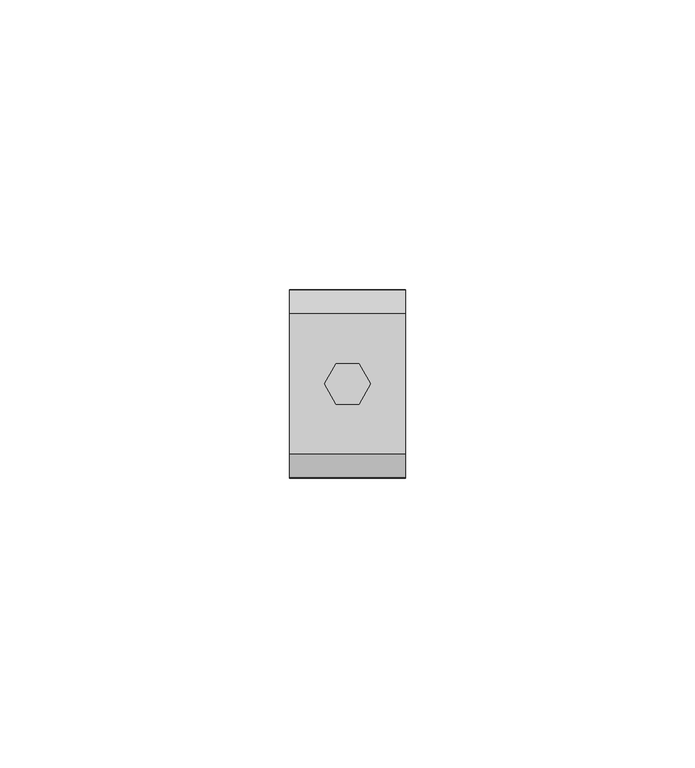
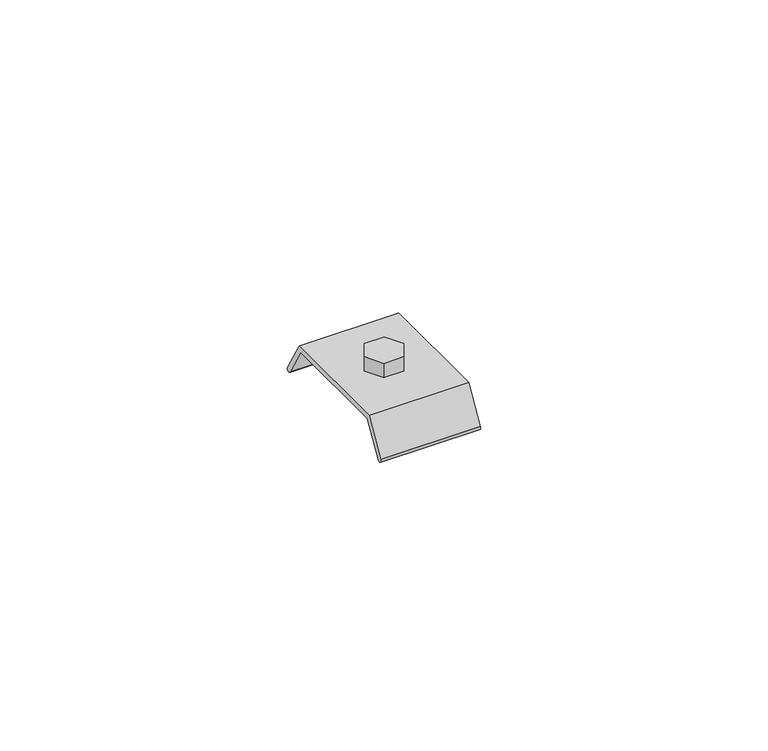
"""IFC4 building model written with IfcOpenShell, lengths in millimetres: beam geometry."""

from ifc_helpers import new_model, si_unit, point, frame, frame_2d, origin, place, context, project, spatial, polyline, circle_curve, trimmed, segment, composite_curve, outline, extrude, source, transform, mapped, element, save


def beam_ff1f1038(model_context):
    return source(origin(), model_context, "Body", "SweptSolid", [
        extrude(outline(polyline([(2.0, 3.4641016), (4.0, 0.0), (2.0, -3.4641016), (-2.0, -3.4641016), (-4.0, 0.0), (-2.0, 3.4641016), (2.0, 3.4641016)])), frame((0.0, 0.0, -25.7896475), z_axis=(0.0, 0.0, 1.0), x_axis=(1.0, 0.0, 0.0)), (0.0, 0.0, 1.0), 3.0),
        extrude(outline(composite_curve([segment(polyline([(11.5745116, -26.7896475), (-11.5745116, -26.7896475), (-15.3314567, -33.2332689)]), True, "CONTINUOUS"), segment(trimmed(circle_curve(frame_2d((-15.7633997, -32.9814251)), 0.5), [point((-15.3314567, -33.2332689))], [point((-16.1953426, -32.7295813))], False, "CARTESIAN"), True, "CONTINUOUS"), segment(polyline([(-16.1953426, -32.7295813), (-12.1490231, -25.7896475), (12.1490231, -25.7896475), (16.1953426, -32.7295813)]), True, "CONTINUOUS"), segment(trimmed(circle_curve(frame_2d((15.7633997, -32.9814251)), 0.5), [point((16.1953426, -32.7295813))], [point((15.3314567, -33.2332689))], False, "CARTESIAN"), True, "CONTINUOUS"), segment(polyline([(15.3314567, -33.2332689), (11.5745116, -26.7896475)]), True, "CONTINUOUS")], self_intersect=False)), frame((-10.003063, 0.0, 0.0), z_axis=(1.0, 0.0, 0.0), x_axis=(0.0, 1.0, 0.0)), (0.0, 0.0, 1.0), 20.0061261),
    ])


if __name__ == "__main__":
    model = new_model("IFC4")
    model_context = context("Model", 3, world=origin())
    ifc_project = project(units=[si_unit("LENGTHUNIT", "METRE", prefix="MILLI")], contexts=[model_context])
    site = spatial("IfcSite", under=ifc_project)
    building = spatial("IfcBuilding", under=site)
    placement = place(None, origin())
    beam_shape = beam_ff1f1038(model_context)
    element("IfcBeam", 1, at=placement, inside=building, context=model_context, shape_type="MappedRepresentation", body=[
        mapped(beam_shape, transform((0.0, 0.0, 0.0), x_axis=(1.0, 0.0, 0.0), y_axis=(0.0, 1.0, 0.0), z_axis=(0.0, 0.0, 1.0))),
    ])
    save(model, "model.ifc")
